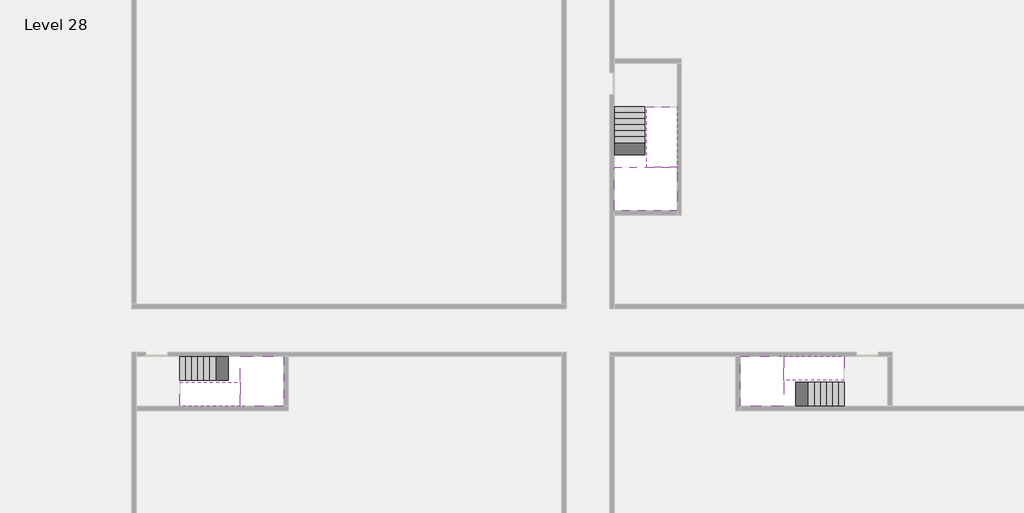
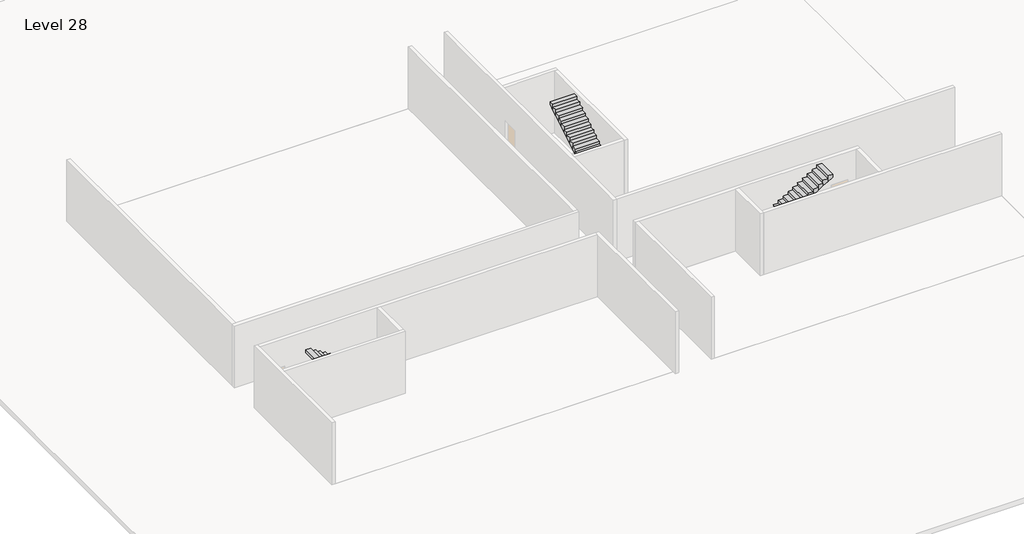
# One storey, part 2 of 2: 6 stair flights, 3 slabs.
"""IFC4 building model written with IfcOpenShell, lengths in millimetres."""

from ifc_helpers import new_model, si_unit, origin, place, context, project, spatial, faceted_brep, element, save

model = new_model("IFC4")

# Units and contexts
model_context = context("Model", 3, world=origin())
ifc_project = project(units=[si_unit("LENGTHUNIT", "METRE", prefix="MILLI")], contexts=[model_context])

# Site, building, storey
site = spatial("IfcSite", under=ifc_project)
building = spatial("IfcBuilding", under=site)
storey = spatial("IfcBuildingStorey", under=building, Name="Level 28", Elevation=102600.0)

# Slabs
placement = place(None, origin())
element("IfcSlab", 1, at=placement, inside=storey, context=model_context, shape_type="Brep", body=[
    faceted_brep([(8190.1058784, -42918.09644, 104500.0), (8190.1058784, -44018.09644, 104500.0), (8190.1058784, -44118.09644, 104500.0), (8190.1058784, -45218.09644, 104500.0), (8390.7194421, -45218.09644, 104500.0), (10190.1058784, -45218.09644, 104500.0), (10190.1058784, -42918.09644, 104500.0), (8269.4923146, -42918.09644, 104500.0), (8190.1058784, -42918.09644, 104327.2727273), (8190.1058784, -42918.09644, 104151.0278478), (8190.1058784, -44018.09644, 104151.0278478), (8190.1058784, -44018.09644, 104200.0), (8190.1058784, -44118.09644, 104200.0), (8190.1058784, -44118.09644, 104323.7551205), (8190.1058784, -45218.09644, 104323.7551205), (8390.7194421, -45218.09644, 104200.0), (10190.1058784, -45218.09644, 104200.0), (10190.1058784, -42918.09644, 104200.0), (8269.4923146, -42918.09644, 104200.0), (8390.7194421, -44118.09644, 104200.0), (8269.4923146, -44018.09644, 104200.0)], [[[0, 1, 2, 3, 4, 5, 6, 7]], [[1, 0, 8, 9, 10, 11]], [[2, 1, 11, 12, 13]], [[3, 2, 13, 14]], [[3, 14, 15, 16, 5, 4]], [[6, 5, 16, 17]], [[9, 8, 0, 7, 6, 17, 18]], [[19, 12, 11, 20, 18, 17, 16, 15]], [[12, 19, 13]], [[18, 20, 10, 9]], [[20, 11, 10]], [[19, 15, 14, 13]]]),
])
element("IfcSlab", 2, at=placement, inside=storey, context=model_context, shape_type="Brep", body=[
    faceted_brep([(33190.1058784, -45218.09644, 104500.0), (33190.1058784, -44118.09644, 104500.0), (33190.1058784, -44018.09644, 104500.0), (33190.1058784, -42918.09644, 104500.0), (32989.4923146, -42918.09644, 104500.0), (31190.1058784, -42918.09644, 104500.0), (31190.1058784, -45218.09644, 104500.0), (33110.7194421, -45218.09644, 104500.0), (33190.1058784, -45218.09644, 104327.2727273), (33190.1058784, -45218.09644, 104151.0278478), (33190.1058784, -44118.09644, 104151.0278478), (33190.1058784, -44118.09644, 104200.0), (33190.1058784, -44018.09644, 104200.0), (33190.1058784, -44018.09644, 104323.7551205), (33190.1058784, -42918.09644, 104323.7551205), (32989.4923146, -42918.09644, 104200.0), (31190.1058784, -42918.09644, 104200.0), (31190.1058784, -45218.09644, 104200.0), (33110.7194421, -45218.09644, 104200.0), (32989.4923146, -44018.09644, 104200.0), (33110.7194421, -44118.09644, 104200.0)], [[[0, 1, 2, 3, 4, 5, 6, 7]], [[1, 0, 8, 9, 10, 11]], [[2, 1, 11, 12, 13]], [[3, 2, 13, 14]], [[3, 14, 15, 16, 5, 4]], [[6, 5, 16, 17]], [[9, 8, 0, 7, 6, 17, 18]], [[19, 12, 11, 20, 18, 17, 16, 15]], [[12, 19, 13]], [[18, 20, 10, 9]], [[20, 11, 10]], [[19, 15, 14, 13]]]),
])
element("IfcSlab", 3, at=placement, inside=storey, context=model_context, shape_type="Brep", body=[
    faceted_brep([(26790.1058784, -34218.09644, 104500.0), (25390.1058784, -34218.09644, 104500.0), (25390.1058784, -34297.4828763, 104500.0), (25390.1058784, -36218.09644, 104500.0), (28290.1058784, -36218.09644, 104500.0), (28290.1058784, -34418.7100038, 104500.0), (28290.1058784, -34218.09644, 104500.0), (26890.1058784, -34218.09644, 104500.0), (26790.1058784, -34218.09644, 104200.0), (26790.1058784, -34218.09644, 104151.0278478), (25390.1058784, -34218.09644, 104151.0278478), (25390.1058784, -34218.09644, 104327.2727273), (25390.1058784, -34297.4828763, 104200.0), (25390.1058784, -36218.09644, 104200.0), (28290.1058784, -36218.09644, 104200.0), (28290.1058784, -34418.7100038, 104200.0), (28290.1058784, -34218.09644, 104323.7551205), (26890.1058784, -34218.09644, 104323.7551205), (26890.1058784, -34218.09644, 104200.0), (26890.1058784, -34418.7100038, 104200.0), (26790.1058784, -34297.4828763, 104200.0)], [[[0, 1, 2, 3, 4, 5, 6, 7]], [[1, 0, 8, 9, 10, 11]], [[1, 11, 10, 12, 13, 3, 2]], [[4, 3, 13, 14]], [[4, 14, 15, 16, 6, 5]], [[7, 6, 16, 17]], [[0, 7, 17, 18, 8]], [[18, 19, 15, 14, 13, 12, 20, 8]], [[19, 18, 17]], [[20, 12, 10, 9]], [[8, 20, 9]], [[15, 19, 17, 16]]]),
])

# Stair flights
element("IfcStairFlight", 4, at=placement, inside=storey, context=model_context, shape_type="Brep", body=[
    faceted_brep([(5670.1058784, -42918.09644, 102772.7272727), (5390.1058784, -42918.09644, 102772.7272727), (5390.1058784, -44018.09644, 102772.7272727), (5670.1058784, -44018.09644, 102772.7272727), (5670.1058784, -42918.09644, 102600.0), (5390.1058784, -42918.09644, 102600.0), (5390.1058784, -44018.09644, 102600.0), (5670.1058784, -44018.09644, 102600.0), (5950.1058784, -42918.09644, 102945.4545455), (5670.1058784, -42918.09644, 102945.4545455), (5670.1058784, -44018.09644, 102945.4545455), (5950.1058784, -44018.09644, 102945.4545455), (5950.1058784, -42918.09644, 102769.209666), (5675.8081041, -42918.09644, 102600.0), (5675.8081041, -44018.09644, 102600.0), (5950.1058784, -44018.09644, 102769.209666), (6230.1058784, -42918.09644, 103118.1818182), (5950.1058784, -42918.09644, 103118.1818182), (5950.1058784, -44018.09644, 103118.1818182), (6230.1058784, -44018.09644, 103118.1818182), (6230.1058784, -42918.09644, 102941.9369387), (6230.1058784, -44018.09644, 102941.9369387), (6510.1058784, -42918.09644, 103290.9090909), (6230.1058784, -42918.09644, 103290.9090909), (6230.1058784, -44018.09644, 103290.9090909), (6510.1058784, -44018.09644, 103290.9090909), (6510.1058784, -42918.09644, 103114.6642114), (6510.1058784, -44018.09644, 103114.6642114), (6790.1058784, -42918.09644, 103463.6363636), (6510.1058784, -42918.09644, 103463.6363636), (6510.1058784, -44018.09644, 103463.6363636), (6790.1058784, -44018.09644, 103463.6363636), (6790.1058784, -42918.09644, 103287.3914841), (6790.1058784, -44018.09644, 103287.3914841), (7070.1058784, -42918.09644, 103636.3636364), (6790.1058784, -42918.09644, 103636.3636364), (6790.1058784, -44018.09644, 103636.3636364), (7070.1058784, -44018.09644, 103636.3636364), (7070.1058784, -42918.09644, 103460.1187569), (7070.1058784, -44018.09644, 103460.1187569), (7350.1058784, -42918.09644, 103809.0909091), (7070.1058784, -42918.09644, 103809.0909091), (7070.1058784, -44018.09644, 103809.0909091), (7350.1058784, -44018.09644, 103809.0909091), (7350.1058784, -42918.09644, 103632.8460296), (7350.1058784, -44018.09644, 103632.8460296), (7630.1058784, -42918.09644, 103981.8181818), (7350.1058784, -42918.09644, 103981.8181818), (7350.1058784, -44018.09644, 103981.8181818), (7630.1058784, -44018.09644, 103981.8181818), (7630.1058784, -42918.09644, 103805.5733023), (7630.1058784, -44018.09644, 103805.5733023), (7910.1058784, -42918.09644, 104154.5454545), (7630.1058784, -42918.09644, 104154.5454545), (7630.1058784, -44018.09644, 104154.5454545), (7910.1058784, -44018.09644, 104154.5454545), (7910.1058784, -42918.09644, 103978.3005751), (7910.1058784, -44018.09644, 103978.3005751), (8190.1058784, -42918.09644, 104327.2727273), (7910.1058784, -42918.09644, 104327.2727273), (7910.1058784, -44018.09644, 104327.2727273), (8190.1058784, -44018.09644, 104327.2727273), (8190.1058784, -42918.09644, 104151.0278478), (8190.1058784, -44018.09644, 104151.0278478), (8190.1058784, -44018.09644, 104200.0)], [[[0, 1, 2, 3]], [[1, 0, 4, 5]], [[2, 1, 5, 6]], [[3, 2, 6, 7]], [[8, 9, 10, 11]], [[4, 0, 9, 8, 12, 13]], [[0, 3, 10, 9]], [[3, 7, 14, 15, 11, 10]], [[16, 17, 18, 19]], [[17, 16, 20, 12, 8]], [[8, 11, 18, 17]], [[19, 18, 11, 15, 21]], [[22, 23, 24, 25]], [[23, 22, 26, 20, 16]], [[16, 19, 24, 23]], [[25, 24, 19, 21, 27]], [[28, 29, 30, 31]], [[29, 28, 32, 26, 22]], [[22, 25, 30, 29]], [[31, 30, 25, 27, 33]], [[34, 35, 36, 37]], [[35, 34, 38, 32, 28]], [[28, 31, 36, 35]], [[37, 36, 31, 33, 39]], [[40, 41, 42, 43]], [[41, 40, 44, 38, 34]], [[34, 37, 42, 41]], [[43, 42, 37, 39, 45]], [[46, 47, 48, 49]], [[47, 46, 50, 44, 40]], [[40, 43, 48, 47]], [[49, 48, 43, 45, 51]], [[52, 53, 54, 55]], [[53, 52, 56, 50, 46]], [[46, 49, 54, 53]], [[55, 54, 49, 51, 57]], [[58, 59, 60, 61]], [[59, 58, 62, 56, 52]], [[52, 55, 60, 59]], [[61, 60, 55, 57, 63, 64]], [[58, 61, 64, 63, 62]], [[5, 4, 13, 14, 7, 6]], [[14, 13, 12, 20, 26, 32, 38, 44, 50, 56, 62, 63, 57, 51, 45, 39, 33, 27, 21, 15]]]),
])
element("IfcStairFlight", 5, at=placement, inside=storey, context=model_context, shape_type="Brep", body=[
    faceted_brep([(7910.1058784, -45218.09644, 104672.7272727), (8190.1058784, -45218.09644, 104672.7272727), (8190.1058784, -44118.09644, 104672.7272727), (7910.1058784, -44118.09644, 104672.7272727), (7910.1058784, -45218.09644, 104496.4823932), (8190.1058784, -45218.09644, 104323.7551205), (8190.1058784, -45218.09644, 104500.0), (8190.1058784, -44118.09644, 104323.7551205), (7910.1058784, -44118.09644, 104496.4823932), (7630.1058784, -45218.09644, 104845.4545455), (7910.1058784, -45218.09644, 104845.4545455), (7910.1058784, -44118.09644, 104845.4545455), (7630.1058784, -44118.09644, 104845.4545455), (7630.1058784, -45218.09644, 104669.209666), (7630.1058784, -44118.09644, 104669.209666), (7350.1058784, -45218.09644, 105018.1818182), (7630.1058784, -45218.09644, 105018.1818182), (7630.1058784, -44118.09644, 105018.1818182), (7350.1058784, -44118.09644, 105018.1818182), (7350.1058784, -45218.09644, 104841.9369387), (7350.1058784, -44118.09644, 104841.9369387), (7070.1058784, -45218.09644, 105190.9090909), (7350.1058784, -45218.09644, 105190.9090909), (7350.1058784, -44118.09644, 105190.9090909), (7070.1058784, -44118.09644, 105190.9090909), (7070.1058784, -45218.09644, 105014.6642114), (7070.1058784, -44118.09644, 105014.6642114), (6790.1058784, -45218.09644, 105363.6363636), (7070.1058784, -45218.09644, 105363.6363636), (7070.1058784, -44118.09644, 105363.6363636), (6790.1058784, -44118.09644, 105363.6363636), (6790.1058784, -45218.09644, 105187.3914841), (6790.1058784, -44118.09644, 105187.3914841), (6510.1058784, -45218.09644, 105536.3636364), (6790.1058784, -45218.09644, 105536.3636364), (6790.1058784, -44118.09644, 105536.3636364), (6510.1058784, -44118.09644, 105536.3636364), (6510.1058784, -45218.09644, 105360.1187569), (6510.1058784, -44118.09644, 105360.1187569), (6230.1058784, -45218.09644, 105709.0909091), (6510.1058784, -45218.09644, 105709.0909091), (6510.1058784, -44118.09644, 105709.0909091), (6230.1058784, -44118.09644, 105709.0909091), (6230.1058784, -45218.09644, 105532.8460296), (6230.1058784, -44118.09644, 105532.8460296), (5950.1058784, -45218.09644, 105881.8181818), (6230.1058784, -45218.09644, 105881.8181818), (6230.1058784, -44118.09644, 105881.8181818), (5950.1058784, -44118.09644, 105881.8181818), (5950.1058784, -45218.09644, 105705.5733023), (5950.1058784, -44118.09644, 105705.5733023), (5670.1058784, -45218.09644, 106054.5454545), (5950.1058784, -45218.09644, 106054.5454545), (5950.1058784, -44118.09644, 106054.5454545), (5670.1058784, -44118.09644, 106054.5454545), (5670.1058784, -45218.09644, 105878.3005751), (5670.1058784, -44118.09644, 105878.3005751), (5390.1058784, -45218.09644, 106227.2727273), (5670.1058784, -45218.09644, 106227.2727273), (5670.1058784, -44118.09644, 106227.2727273), (5390.1058784, -44118.09644, 106227.2727273), (5390.1058784, -45218.09644, 106051.0278478), (5390.1058784, -44118.09644, 106051.0278478)], [[[0, 1, 2, 3]], [[1, 0, 4, 5, 6]], [[2, 1, 6, 5, 7]], [[3, 2, 7, 8]], [[9, 10, 11, 12]], [[10, 9, 13, 4, 0]], [[11, 10, 0, 3]], [[12, 11, 3, 8, 14]], [[15, 16, 17, 18]], [[16, 15, 19, 13, 9]], [[17, 16, 9, 12]], [[18, 17, 12, 14, 20]], [[21, 22, 23, 24]], [[22, 21, 25, 19, 15]], [[23, 22, 15, 18]], [[24, 23, 18, 20, 26]], [[27, 28, 29, 30]], [[28, 27, 31, 25, 21]], [[29, 28, 21, 24]], [[30, 29, 24, 26, 32]], [[33, 34, 35, 36]], [[34, 33, 37, 31, 27]], [[35, 34, 27, 30]], [[36, 35, 30, 32, 38]], [[39, 40, 41, 42]], [[40, 39, 43, 37, 33]], [[41, 40, 33, 36]], [[42, 41, 36, 38, 44]], [[45, 46, 47, 48]], [[46, 45, 49, 43, 39]], [[47, 46, 39, 42]], [[48, 47, 42, 44, 50]], [[51, 52, 53, 54]], [[52, 51, 55, 49, 45]], [[53, 52, 45, 48]], [[54, 53, 48, 50, 56]], [[57, 58, 59, 60]], [[58, 57, 61, 55, 51]], [[59, 58, 51, 54]], [[60, 59, 54, 56, 62]], [[57, 60, 62, 61]], [[5, 4, 13, 19, 25, 31, 37, 43, 49, 55, 61, 62, 56, 50, 44, 38, 32, 26, 20, 14, 8, 7]]]),
])
element("IfcStairFlight", 6, at=placement, inside=storey, context=model_context, shape_type="Brep", body=[
    faceted_brep([(35710.1058784, -45218.09644, 102772.7272727), (35990.1058784, -45218.09644, 102772.7272727), (35990.1058784, -44118.09644, 102772.7272727), (35710.1058784, -44118.09644, 102772.7272727), (35710.1058784, -45218.09644, 102600.0), (35990.1058784, -45218.09644, 102600.0), (35990.1058784, -44118.09644, 102600.0), (35710.1058784, -44118.09644, 102600.0), (35430.1058784, -45218.09644, 102945.4545455), (35710.1058784, -45218.09644, 102945.4545455), (35710.1058784, -44118.09644, 102945.4545455), (35430.1058784, -44118.09644, 102945.4545455), (35430.1058784, -45218.09644, 102769.209666), (35704.4036527, -45218.09644, 102600.0), (35704.4036527, -44118.09644, 102600.0), (35430.1058784, -44118.09644, 102769.209666), (35150.1058784, -45218.09644, 103118.1818182), (35430.1058784, -45218.09644, 103118.1818182), (35430.1058784, -44118.09644, 103118.1818182), (35150.1058784, -44118.09644, 103118.1818182), (35150.1058784, -45218.09644, 102941.9369387), (35150.1058784, -44118.09644, 102941.9369387), (34870.1058784, -45218.09644, 103290.9090909), (35150.1058784, -45218.09644, 103290.9090909), (35150.1058784, -44118.09644, 103290.9090909), (34870.1058784, -44118.09644, 103290.9090909), (34870.1058784, -45218.09644, 103114.6642114), (34870.1058784, -44118.09644, 103114.6642114), (34590.1058784, -45218.09644, 103463.6363636), (34870.1058784, -45218.09644, 103463.6363636), (34870.1058784, -44118.09644, 103463.6363636), (34590.1058784, -44118.09644, 103463.6363636), (34590.1058784, -45218.09644, 103287.3914841), (34590.1058784, -44118.09644, 103287.3914841), (34310.1058784, -45218.09644, 103636.3636364), (34590.1058784, -45218.09644, 103636.3636364), (34590.1058784, -44118.09644, 103636.3636364), (34310.1058784, -44118.09644, 103636.3636364), (34310.1058784, -45218.09644, 103460.1187569), (34310.1058784, -44118.09644, 103460.1187569), (34030.1058784, -45218.09644, 103809.0909091), (34310.1058784, -45218.09644, 103809.0909091), (34310.1058784, -44118.09644, 103809.0909091), (34030.1058784, -44118.09644, 103809.0909091), (34030.1058784, -45218.09644, 103632.8460296), (34030.1058784, -44118.09644, 103632.8460296), (33750.1058784, -45218.09644, 103981.8181818), (34030.1058784, -45218.09644, 103981.8181818), (34030.1058784, -44118.09644, 103981.8181818), (33750.1058784, -44118.09644, 103981.8181818), (33750.1058784, -45218.09644, 103805.5733023), (33750.1058784, -44118.09644, 103805.5733023), (33470.1058784, -45218.09644, 104154.5454545), (33750.1058784, -45218.09644, 104154.5454545), (33750.1058784, -44118.09644, 104154.5454545), (33470.1058784, -44118.09644, 104154.5454545), (33470.1058784, -45218.09644, 103978.3005751), (33470.1058784, -44118.09644, 103978.3005751), (33190.1058784, -45218.09644, 104327.2727273), (33470.1058784, -45218.09644, 104327.2727273), (33470.1058784, -44118.09644, 104327.2727273), (33190.1058784, -44118.09644, 104327.2727273), (33190.1058784, -45218.09644, 104151.0278478), (33190.1058784, -44118.09644, 104151.0278478), (33190.1058784, -44118.09644, 104200.0)], [[[0, 1, 2, 3]], [[1, 0, 4, 5]], [[2, 1, 5, 6]], [[3, 2, 6, 7]], [[8, 9, 10, 11]], [[4, 0, 9, 8, 12, 13]], [[0, 3, 10, 9]], [[3, 7, 14, 15, 11, 10]], [[16, 17, 18, 19]], [[17, 16, 20, 12, 8]], [[8, 11, 18, 17]], [[19, 18, 11, 15, 21]], [[22, 23, 24, 25]], [[23, 22, 26, 20, 16]], [[16, 19, 24, 23]], [[25, 24, 19, 21, 27]], [[28, 29, 30, 31]], [[29, 28, 32, 26, 22]], [[22, 25, 30, 29]], [[31, 30, 25, 27, 33]], [[34, 35, 36, 37]], [[35, 34, 38, 32, 28]], [[28, 31, 36, 35]], [[37, 36, 31, 33, 39]], [[40, 41, 42, 43]], [[41, 40, 44, 38, 34]], [[34, 37, 42, 41]], [[43, 42, 37, 39, 45]], [[46, 47, 48, 49]], [[47, 46, 50, 44, 40]], [[40, 43, 48, 47]], [[49, 48, 43, 45, 51]], [[52, 53, 54, 55]], [[53, 52, 56, 50, 46]], [[46, 49, 54, 53]], [[55, 54, 49, 51, 57]], [[58, 59, 60, 61]], [[59, 58, 62, 56, 52]], [[52, 55, 60, 59]], [[61, 60, 55, 57, 63, 64]], [[58, 61, 64, 63, 62]], [[5, 4, 13, 14, 7, 6]], [[14, 13, 12, 20, 26, 32, 38, 44, 50, 56, 62, 63, 57, 51, 45, 39, 33, 27, 21, 15]]]),
])
element("IfcStairFlight", 7, at=placement, inside=storey, context=model_context, shape_type="Brep", body=[
    faceted_brep([(33470.1058784, -42918.09644, 104672.7272727), (33190.1058784, -42918.09644, 104672.7272727), (33190.1058784, -44018.09644, 104672.7272727), (33470.1058784, -44018.09644, 104672.7272727), (33470.1058784, -42918.09644, 104496.4823932), (33190.1058784, -42918.09644, 104323.7551205), (33190.1058784, -42918.09644, 104500.0), (33190.1058784, -44018.09644, 104323.7551205), (33470.1058784, -44018.09644, 104496.4823932), (33750.1058784, -42918.09644, 104845.4545455), (33470.1058784, -42918.09644, 104845.4545455), (33470.1058784, -44018.09644, 104845.4545455), (33750.1058784, -44018.09644, 104845.4545455), (33750.1058784, -42918.09644, 104669.209666), (33750.1058784, -44018.09644, 104669.209666), (34030.1058784, -42918.09644, 105018.1818182), (33750.1058784, -42918.09644, 105018.1818182), (33750.1058784, -44018.09644, 105018.1818182), (34030.1058784, -44018.09644, 105018.1818182), (34030.1058784, -42918.09644, 104841.9369387), (34030.1058784, -44018.09644, 104841.9369387), (34310.1058784, -42918.09644, 105190.9090909), (34030.1058784, -42918.09644, 105190.9090909), (34030.1058784, -44018.09644, 105190.9090909), (34310.1058784, -44018.09644, 105190.9090909), (34310.1058784, -42918.09644, 105014.6642114), (34310.1058784, -44018.09644, 105014.6642114), (34590.1058784, -42918.09644, 105363.6363636), (34310.1058784, -42918.09644, 105363.6363636), (34310.1058784, -44018.09644, 105363.6363636), (34590.1058784, -44018.09644, 105363.6363636), (34590.1058784, -42918.09644, 105187.3914841), (34590.1058784, -44018.09644, 105187.3914841), (34870.1058784, -42918.09644, 105536.3636364), (34590.1058784, -42918.09644, 105536.3636364), (34590.1058784, -44018.09644, 105536.3636364), (34870.1058784, -44018.09644, 105536.3636364), (34870.1058784, -42918.09644, 105360.1187569), (34870.1058784, -44018.09644, 105360.1187569), (35150.1058784, -42918.09644, 105709.0909091), (34870.1058784, -42918.09644, 105709.0909091), (34870.1058784, -44018.09644, 105709.0909091), (35150.1058784, -44018.09644, 105709.0909091), (35150.1058784, -42918.09644, 105532.8460296), (35150.1058784, -44018.09644, 105532.8460296), (35430.1058784, -42918.09644, 105881.8181818), (35150.1058784, -42918.09644, 105881.8181818), (35150.1058784, -44018.09644, 105881.8181818), (35430.1058784, -44018.09644, 105881.8181818), (35430.1058784, -42918.09644, 105705.5733023), (35430.1058784, -44018.09644, 105705.5733023), (35710.1058784, -42918.09644, 106054.5454545), (35430.1058784, -42918.09644, 106054.5454545), (35430.1058784, -44018.09644, 106054.5454545), (35710.1058784, -44018.09644, 106054.5454545), (35710.1058784, -42918.09644, 105878.3005751), (35710.1058784, -44018.09644, 105878.3005751), (35990.1058784, -42918.09644, 106227.2727273), (35710.1058784, -42918.09644, 106227.2727273), (35710.1058784, -44018.09644, 106227.2727273), (35990.1058784, -44018.09644, 106227.2727273), (35990.1058784, -42918.09644, 106051.0278478), (35990.1058784, -44018.09644, 106051.0278478)], [[[0, 1, 2, 3]], [[1, 0, 4, 5, 6]], [[2, 1, 6, 5, 7]], [[3, 2, 7, 8]], [[9, 10, 11, 12]], [[10, 9, 13, 4, 0]], [[11, 10, 0, 3]], [[12, 11, 3, 8, 14]], [[15, 16, 17, 18]], [[16, 15, 19, 13, 9]], [[17, 16, 9, 12]], [[18, 17, 12, 14, 20]], [[21, 22, 23, 24]], [[22, 21, 25, 19, 15]], [[23, 22, 15, 18]], [[24, 23, 18, 20, 26]], [[27, 28, 29, 30]], [[28, 27, 31, 25, 21]], [[29, 28, 21, 24]], [[30, 29, 24, 26, 32]], [[33, 34, 35, 36]], [[34, 33, 37, 31, 27]], [[35, 34, 27, 30]], [[36, 35, 30, 32, 38]], [[39, 40, 41, 42]], [[40, 39, 43, 37, 33]], [[41, 40, 33, 36]], [[42, 41, 36, 38, 44]], [[45, 46, 47, 48]], [[46, 45, 49, 43, 39]], [[47, 46, 39, 42]], [[48, 47, 42, 44, 50]], [[51, 52, 53, 54]], [[52, 51, 55, 49, 45]], [[53, 52, 45, 48]], [[54, 53, 48, 50, 56]], [[57, 58, 59, 60]], [[58, 57, 61, 55, 51]], [[59, 58, 51, 54]], [[60, 59, 54, 56, 62]], [[57, 60, 62, 61]], [[5, 4, 13, 19, 25, 31, 37, 43, 49, 55, 61, 62, 56, 50, 44, 38, 32, 26, 20, 14, 8, 7]]]),
])
element("IfcStairFlight", 8, at=placement, inside=storey, context=model_context, shape_type="Brep", body=[
    faceted_brep([(26790.1058784, -31698.09644, 102772.7272727), (26790.1058784, -31418.09644, 102772.7272727), (25390.1058784, -31418.09644, 102772.7272727), (25390.1058784, -31698.09644, 102772.7272727), (26790.1058784, -31698.09644, 102600.0), (26790.1058784, -31418.09644, 102600.0), (25390.1058784, -31418.09644, 102600.0), (25390.1058784, -31698.09644, 102600.0), (26790.1058784, -31978.09644, 102945.4545455), (26790.1058784, -31698.09644, 102945.4545455), (25390.1058784, -31698.09644, 102945.4545455), (25390.1058784, -31978.09644, 102945.4545455), (26790.1058784, -31978.09644, 102769.209666), (26790.1058784, -31703.7986657, 102600.0), (25390.1058784, -31703.7986657, 102600.0), (25390.1058784, -31978.09644, 102769.209666), (26790.1058784, -32258.09644, 103118.1818182), (26790.1058784, -31978.09644, 103118.1818182), (25390.1058784, -31978.09644, 103118.1818182), (25390.1058784, -32258.09644, 103118.1818182), (26790.1058784, -32258.09644, 102941.9369387), (25390.1058784, -32258.09644, 102941.9369387), (26790.1058784, -32538.09644, 103290.9090909), (26790.1058784, -32258.09644, 103290.9090909), (25390.1058784, -32258.09644, 103290.9090909), (25390.1058784, -32538.09644, 103290.9090909), (26790.1058784, -32538.09644, 103114.6642114), (25390.1058784, -32538.09644, 103114.6642114), (26790.1058784, -32818.09644, 103463.6363636), (26790.1058784, -32538.09644, 103463.6363636), (25390.1058784, -32538.09644, 103463.6363636), (25390.1058784, -32818.09644, 103463.6363636), (26790.1058784, -32818.09644, 103287.3914841), (25390.1058784, -32818.09644, 103287.3914841), (26790.1058784, -33098.09644, 103636.3636364), (26790.1058784, -32818.09644, 103636.3636364), (25390.1058784, -32818.09644, 103636.3636364), (25390.1058784, -33098.09644, 103636.3636364), (26790.1058784, -33098.09644, 103460.1187569), (25390.1058784, -33098.09644, 103460.1187569), (26790.1058784, -33378.09644, 103809.0909091), (26790.1058784, -33098.09644, 103809.0909091), (25390.1058784, -33098.09644, 103809.0909091), (25390.1058784, -33378.09644, 103809.0909091), (26790.1058784, -33378.09644, 103632.8460296), (25390.1058784, -33378.09644, 103632.8460296), (26790.1058784, -33658.09644, 103981.8181818), (26790.1058784, -33378.09644, 103981.8181818), (25390.1058784, -33378.09644, 103981.8181818), (25390.1058784, -33658.09644, 103981.8181818), (26790.1058784, -33658.09644, 103805.5733023), (25390.1058784, -33658.09644, 103805.5733023), (26790.1058784, -33938.09644, 104154.5454545), (26790.1058784, -33658.09644, 104154.5454545), (25390.1058784, -33658.09644, 104154.5454545), (25390.1058784, -33938.09644, 104154.5454545), (26790.1058784, -33938.09644, 103978.3005751), (25390.1058784, -33938.09644, 103978.3005751), (26790.1058784, -34218.09644, 104327.2727273), (26790.1058784, -33938.09644, 104327.2727273), (25390.1058784, -33938.09644, 104327.2727273), (25390.1058784, -34218.09644, 104327.2727273), (26790.1058784, -34218.09644, 104200.0), (26790.1058784, -34218.09644, 104151.0278478), (25390.1058784, -34218.09644, 104151.0278478)], [[[0, 1, 2, 3]], [[1, 0, 4, 5]], [[2, 1, 5, 6]], [[3, 2, 6, 7]], [[8, 9, 10, 11]], [[4, 0, 9, 8, 12, 13]], [[0, 3, 10, 9]], [[3, 7, 14, 15, 11, 10]], [[16, 17, 18, 19]], [[17, 16, 20, 12, 8]], [[8, 11, 18, 17]], [[19, 18, 11, 15, 21]], [[22, 23, 24, 25]], [[23, 22, 26, 20, 16]], [[16, 19, 24, 23]], [[25, 24, 19, 21, 27]], [[28, 29, 30, 31]], [[29, 28, 32, 26, 22]], [[22, 25, 30, 29]], [[31, 30, 25, 27, 33]], [[34, 35, 36, 37]], [[35, 34, 38, 32, 28]], [[28, 31, 36, 35]], [[37, 36, 31, 33, 39]], [[40, 41, 42, 43]], [[41, 40, 44, 38, 34]], [[34, 37, 42, 41]], [[43, 42, 37, 39, 45]], [[46, 47, 48, 49]], [[47, 46, 50, 44, 40]], [[40, 43, 48, 47]], [[49, 48, 43, 45, 51]], [[52, 53, 54, 55]], [[53, 52, 56, 50, 46]], [[46, 49, 54, 53]], [[55, 54, 49, 51, 57]], [[58, 59, 60, 61]], [[59, 58, 62, 63, 56, 52]], [[52, 55, 60, 59]], [[61, 60, 55, 57, 64]], [[58, 61, 64, 63, 62]], [[5, 4, 13, 14, 7, 6]], [[14, 13, 12, 20, 26, 32, 38, 44, 50, 56, 63, 64, 57, 51, 45, 39, 33, 27, 21, 15]]]),
])
element("IfcStairFlight", 9, at=placement, inside=storey, context=model_context, shape_type="Brep", body=[
    faceted_brep([(26890.1058784, -33938.09644, 104672.7272727), (26890.1058784, -34218.09644, 104672.7272727), (28290.1058784, -34218.09644, 104672.7272727), (28290.1058784, -33938.09644, 104672.7272727), (26890.1058784, -33938.09644, 104496.4823932), (26890.1058784, -34218.09644, 104323.7551205), (28290.1058784, -34218.09644, 104323.7551205), (28290.1058784, -34218.09644, 104500.0), (28290.1058784, -33938.09644, 104496.4823932), (26890.1058784, -33658.09644, 104845.4545455), (26890.1058784, -33938.09644, 104845.4545455), (28290.1058784, -33938.09644, 104845.4545455), (28290.1058784, -33658.09644, 104845.4545455), (26890.1058784, -33658.09644, 104669.209666), (28290.1058784, -33658.09644, 104669.209666), (26890.1058784, -33378.09644, 105018.1818182), (26890.1058784, -33658.09644, 105018.1818182), (28290.1058784, -33658.09644, 105018.1818182), (28290.1058784, -33378.09644, 105018.1818182), (26890.1058784, -33378.09644, 104841.9369387), (28290.1058784, -33378.09644, 104841.9369387), (26890.1058784, -33098.09644, 105190.9090909), (26890.1058784, -33378.09644, 105190.9090909), (28290.1058784, -33378.09644, 105190.9090909), (28290.1058784, -33098.09644, 105190.9090909), (26890.1058784, -33098.09644, 105014.6642114), (28290.1058784, -33098.09644, 105014.6642114), (26890.1058784, -32818.09644, 105363.6363636), (26890.1058784, -33098.09644, 105363.6363636), (28290.1058784, -33098.09644, 105363.6363636), (28290.1058784, -32818.09644, 105363.6363636), (26890.1058784, -32818.09644, 105187.3914841), (28290.1058784, -32818.09644, 105187.3914841), (26890.1058784, -32538.09644, 105536.3636364), (26890.1058784, -32818.09644, 105536.3636364), (28290.1058784, -32818.09644, 105536.3636364), (28290.1058784, -32538.09644, 105536.3636364), (26890.1058784, -32538.09644, 105360.1187569), (28290.1058784, -32538.09644, 105360.1187569), (26890.1058784, -32258.09644, 105709.0909091), (26890.1058784, -32538.09644, 105709.0909091), (28290.1058784, -32538.09644, 105709.0909091), (28290.1058784, -32258.09644, 105709.0909091), (26890.1058784, -32258.09644, 105532.8460296), (28290.1058784, -32258.09644, 105532.8460296), (26890.1058784, -31978.09644, 105881.8181818), (26890.1058784, -32258.09644, 105881.8181818), (28290.1058784, -32258.09644, 105881.8181818), (28290.1058784, -31978.09644, 105881.8181818), (26890.1058784, -31978.09644, 105705.5733023), (28290.1058784, -31978.09644, 105705.5733023), (26890.1058784, -31698.09644, 106054.5454545), (26890.1058784, -31978.09644, 106054.5454545), (28290.1058784, -31978.09644, 106054.5454545), (28290.1058784, -31698.09644, 106054.5454545), (26890.1058784, -31698.09644, 105878.3005751), (28290.1058784, -31698.09644, 105878.3005751), (26890.1058784, -31418.09644, 106227.2727273), (26890.1058784, -31698.09644, 106227.2727273), (28290.1058784, -31698.09644, 106227.2727273), (28290.1058784, -31418.09644, 106227.2727273), (26890.1058784, -31418.09644, 106051.0278478), (28290.1058784, -31418.09644, 106051.0278478)], [[[0, 1, 2, 3]], [[1, 0, 4, 5]], [[2, 1, 5, 6, 7]], [[3, 2, 7, 6, 8]], [[9, 10, 11, 12]], [[10, 9, 13, 4, 0]], [[11, 10, 0, 3]], [[12, 11, 3, 8, 14]], [[15, 16, 17, 18]], [[16, 15, 19, 13, 9]], [[17, 16, 9, 12]], [[18, 17, 12, 14, 20]], [[21, 22, 23, 24]], [[22, 21, 25, 19, 15]], [[23, 22, 15, 18]], [[24, 23, 18, 20, 26]], [[27, 28, 29, 30]], [[28, 27, 31, 25, 21]], [[29, 28, 21, 24]], [[30, 29, 24, 26, 32]], [[33, 34, 35, 36]], [[34, 33, 37, 31, 27]], [[35, 34, 27, 30]], [[36, 35, 30, 32, 38]], [[39, 40, 41, 42]], [[40, 39, 43, 37, 33]], [[41, 40, 33, 36]], [[42, 41, 36, 38, 44]], [[45, 46, 47, 48]], [[46, 45, 49, 43, 39]], [[47, 46, 39, 42]], [[48, 47, 42, 44, 50]], [[51, 52, 53, 54]], [[52, 51, 55, 49, 45]], [[53, 52, 45, 48]], [[54, 53, 48, 50, 56]], [[57, 58, 59, 60]], [[58, 57, 61, 55, 51]], [[59, 58, 51, 54]], [[60, 59, 54, 56, 62]], [[57, 60, 62, 61]], [[5, 4, 13, 19, 25, 31, 37, 43, 49, 55, 61, 62, 56, 50, 44, 38, 32, 26, 20, 14, 8, 6]]]),
])

save(model, "model.ifc")
